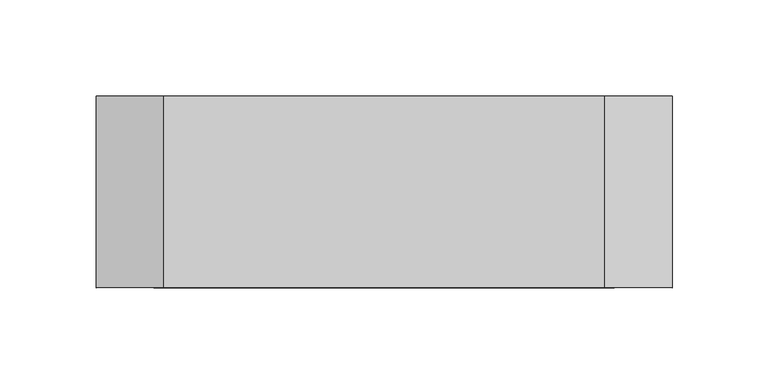
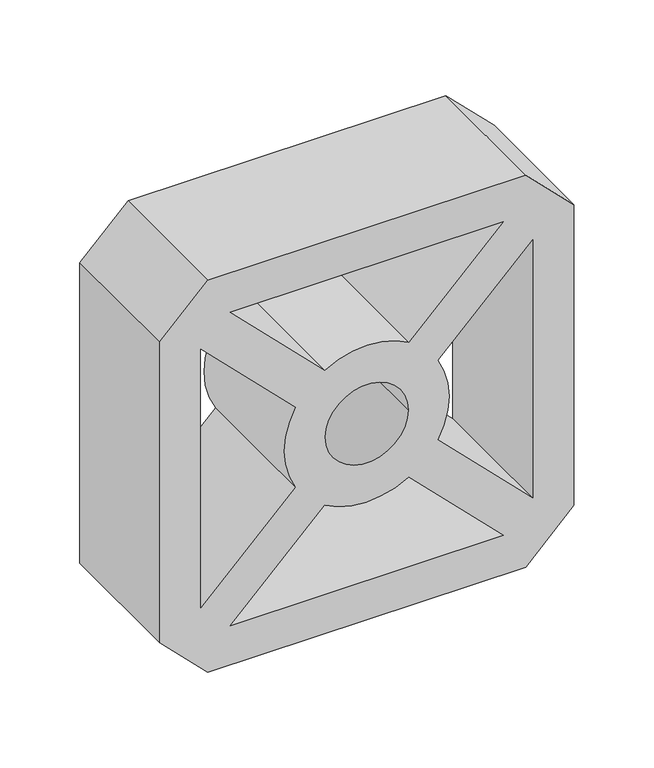
"""IFC4 building model written with IfcOpenShell, lengths in millimetres: plate geometry."""

from ifc_helpers import new_model, si_unit, point, frame, frame_2d, origin, place, context, project, spatial, polyline, circle_curve, trimmed, segment, composite_curve, outline, extrude, source, transform, mapped, element, save


def plate_72c9b525(model_context):
    return source(origin(), model_context, "Body", "SweptSolid", [
        extrude(outline(polyline([(300.0, -115.0), (265.0, -150.0), (35.0, -150.0), (0.0, -115.0), (0.0, 115.0), (35.0, 150.0), (265.0, 150.0), (300.0, 115.0), (300.0, -115.0)]), holes=[composite_curve([segment(polyline([(270.0, 98.7867966), (201.6857935, 30.4725901)]), True, "CONTINUOUS"), segment(trimmed(circle_curve(frame_2d((150.0, 0.0)), 60.0), [point((201.6857935, 30.4725901))], [point((201.6857935, -30.4725901))], False, "CARTESIAN"), True, "CONTINUOUS"), segment(polyline([(201.6857935, -30.4725901), (270.0, -98.7867966), (270.0, 98.7867966)]), True, "CONTINUOUS")], self_intersect=False), composite_curve([segment(trimmed(circle_curve(frame_2d((150.0, 0.0)), 60.0), [point((180.4725901, -51.6857935))], [point((119.5274099, -51.6857935))], False, "CARTESIAN"), True, "CONTINUOUS"), segment(polyline([(119.5274099, -51.6857935), (51.2132034, -120.0), (248.7867966, -120.0), (180.4725901, -51.6857935)]), True, "CONTINUOUS")], self_intersect=False), composite_curve([segment(polyline([(248.7867966, 120.0), (51.2132034, 120.0), (119.5274099, 51.6857935)]), True, "CONTINUOUS"), segment(trimmed(circle_curve(frame_2d((150.0, 0.0)), 60.0), [point((119.5274099, 51.6857935))], [point((180.4725901, 51.6857935))], False, "CARTESIAN"), True, "CONTINUOUS"), segment(polyline([(180.4725901, 51.6857935), (248.7867966, 120.0)]), True, "CONTINUOUS")], self_intersect=False), composite_curve([segment(polyline([(98.3142065, 30.4725901), (30.0, 98.7867966), (30.0, -98.7867966), (98.3142065, -30.4725901)]), True, "CONTINUOUS"), segment(trimmed(circle_curve(frame_2d((150.0, 0.0)), 60.0), [point((98.3142065, -30.4725901))], [point((98.3142065, 30.4725901))], False, "CARTESIAN"), True, "CONTINUOUS")], self_intersect=False), composite_curve([segment(trimmed(circle_curve(frame_2d((150.0, 0.0)), 30.0), [point((150.0, -30.0))], [point((150.0, 30.0))], True, "CARTESIAN"), True, "CONTINUOUS"), segment(trimmed(circle_curve(frame_2d((150.0, 0.0)), 30.0), [point((150.0, 30.0))], [point((150.0, -30.0))], True, "CARTESIAN"), True, "CONTINUOUS")], self_intersect=False)]), frame((0.0, -100.0, 0.0), z_axis=(0.0, 1.0, 0.0), x_axis=(0.0, 0.0, 1.0)), (0.0, 0.0, 1.0), 100.0),
    ])


if __name__ == "__main__":
    model = new_model("IFC4")
    model_context = context("Model", 3, world=origin())
    ifc_project = project(units=[si_unit("LENGTHUNIT", "METRE", prefix="MILLI")], contexts=[model_context])
    site = spatial("IfcSite", under=ifc_project)
    building = spatial("IfcBuilding", under=site)
    placement = place(None, origin())
    plate_shape = plate_72c9b525(model_context)
    element("IfcPlate", 1, at=placement, inside=building, context=model_context, shape_type="MappedRepresentation", body=[
        mapped(plate_shape, transform((0.0, 0.0, 0.0), x_axis=(1.0, 0.0, 0.0), y_axis=(0.0, 1.0, 0.0), z_axis=(0.0, 0.0, 1.0))),
    ])
    save(model, "model.ifc")
